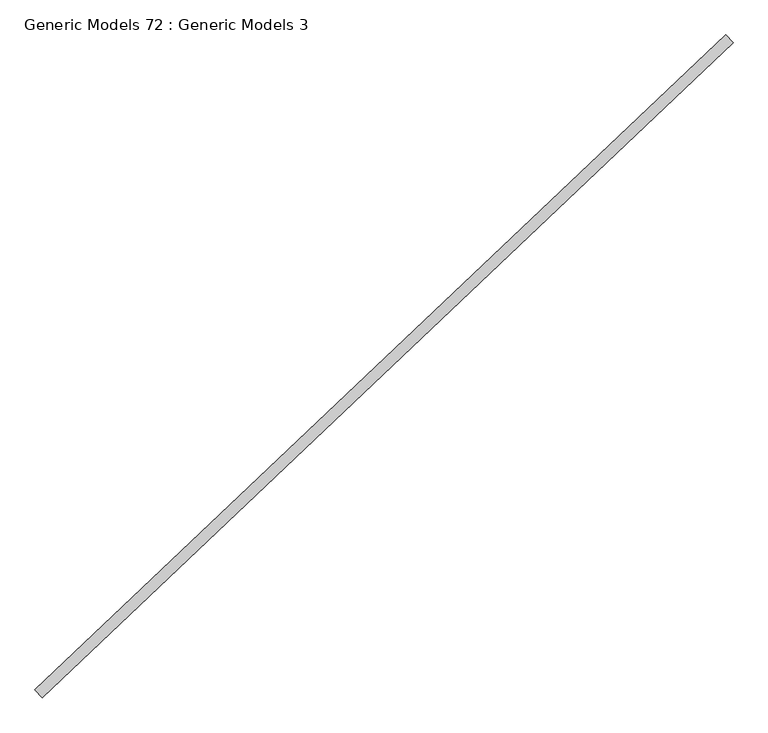
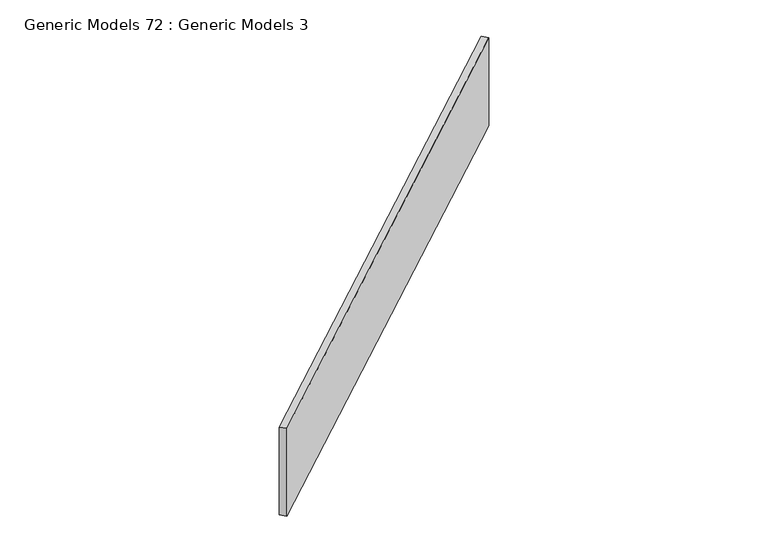
"""IFC4 building model written with IfcOpenShell, lengths in millimetres: proxy geometry, Generic Models 72 : Generic Models 3."""

from ifc_helpers import new_model, si_unit, frame, origin, place, context, project, spatial, polyline, outline, extrude, source, transform, mapped, element, save


def generic_models_72_generic_models_3_6fa64973(model_context):
    return source(origin(), model_context, "Body", "SweptSolid", [
        extrude(outline(polyline([(111505.6919305, 51506.9987478), (111540.660343, 51470.1497298), (108254.1885459, 48351.4044448), (108219.2201334, 48388.2534628), (111505.6919305, 51506.9987478)])), frame((0.0, 0.0, 18013.2327811), z_axis=(0.0, 0.0, 1.0), x_axis=(1.0, 0.0, 0.0)), (0.0, 0.0, 1.0), 683.3906173),
    ])


if __name__ == "__main__":
    model = new_model("IFC4")
    model_context = context("Model", 3, world=origin())
    ifc_project = project(units=[si_unit("LENGTHUNIT", "METRE", prefix="MILLI")], contexts=[model_context])
    site = spatial("IfcSite", under=ifc_project)
    building = spatial("IfcBuilding", under=site)
    placement = place(None, origin())
    generic_models_72_generic_models_3_shape = generic_models_72_generic_models_3_6fa64973(model_context)
    element("IfcBuildingElementProxy", 1, Name="Generic Models 72 : Generic Models 3", ObjectType="Generic Models 72 : Generic Models 3", at=placement, inside=building, context=model_context, shape_type="MappedRepresentation", body=[
        mapped(generic_models_72_generic_models_3_shape, transform((0.0, 0.0, 0.0), x_axis=(1.0, 0.0, 0.0), y_axis=(0.0, 1.0, 0.0), z_axis=(0.0, 0.0, 1.0))),
    ])
    save(model, "model.ifc")
